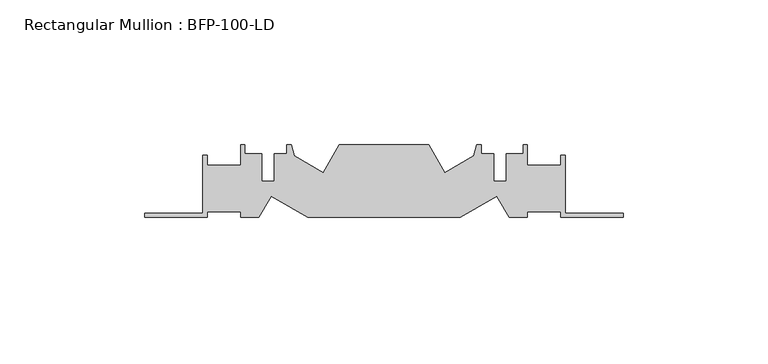
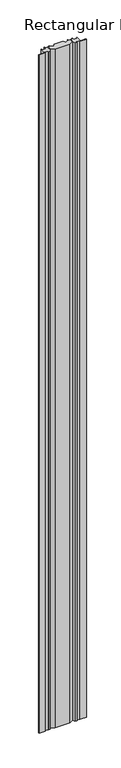
"""IFC4 building model written with IfcOpenShell, lengths in millimetres: member geometry, Rectangular Mullion : BFP-100-LD."""

from ifc_helpers import new_model, si_unit, frame, origin, place, context, project, spatial, polyline, outline, extrude, source, transform, mapped, element, save


def rectangular_mullion_bfp_100_ld_a18325b7(model_context):
    return source(origin(), model_context, "Body", "SweptSolid", [
        extrude(outline(polyline([(-43.5209983, 27.3331761), (-56.2224319, 20.0), (-108.7775681, 20.0), (-121.4790017, 27.3331761), (-125.7128129, 20.0), (-132.0, 20.0), (-132.0, 22.0), (-143.5, 22.0), (-143.5, 20.0), (-165.0, 20.0), (-165.0, 21.5), (-145.0, 21.5), (-145.0, 41.5), (-143.5, 41.5), (-143.5, 38.0), (-132.0, 38.0), (-132.0, 45.0), (-130.5, 45.0), (-130.5, 42.0), (-124.6, 42.0), (-124.6, 32.4), (-120.4, 32.4), (-120.4, 42.0), (-116.0, 42.0), (-116.0, 45.0), (-114.5, 45.0), (-113.4790017, 41.1895826), (-103.5197096, 35.4395826), (-98.0, 45.0), (-67.0, 45.0), (-61.4802904, 35.4395826), (-51.5209983, 41.1895826), (-50.5, 45.0), (-49.0, 45.0), (-49.0, 42.0), (-44.6, 42.0), (-44.6, 32.4), (-40.4, 32.4), (-40.4, 42.0), (-34.5, 42.0), (-34.5, 45.0), (-33.0, 45.0), (-33.0, 38.0), (-21.5, 38.0), (-21.5, 41.5), (-20.0, 41.5), (-20.0, 21.5), (0.0, 21.5), (0.0, 20.0), (-21.5, 20.0), (-21.5, 22.0), (-33.0, 22.0), (-33.0, 20.0), (-39.2871871, 20.0), (-43.5209983, 27.3331761)])), frame((0.0, 0.0, -2490.0), z_axis=(0.0, 0.0, 1.0), x_axis=(1.0, 0.0, 0.0)), (0.0, 0.0, 1.0), 2490.0),
    ])


if __name__ == "__main__":
    model = new_model("IFC4")
    model_context = context("Model", 3, world=origin())
    ifc_project = project(units=[si_unit("LENGTHUNIT", "METRE", prefix="MILLI")], contexts=[model_context])
    site = spatial("IfcSite", under=ifc_project)
    building = spatial("IfcBuilding", under=site)
    placement = place(None, origin())
    rectangular_mullion_bfp_100_ld_shape = rectangular_mullion_bfp_100_ld_a18325b7(model_context)
    element("IfcMember", 1, ObjectType="Rectangular Mullion : BFP-100-LD", at=placement, inside=building, context=model_context, shape_type="MappedRepresentation", body=[
        mapped(rectangular_mullion_bfp_100_ld_shape, transform((0.0, 0.0, 0.0), x_axis=(1.0, 0.0, 0.0), y_axis=(0.0, 1.0, 0.0), z_axis=(0.0, 0.0, 1.0))),
    ])
    save(model, "model.ifc")
